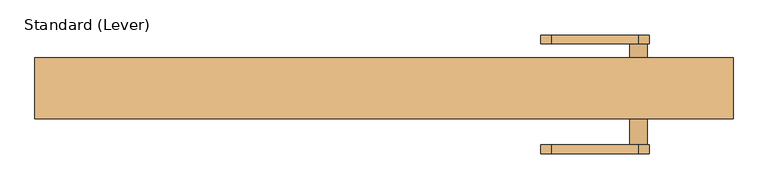
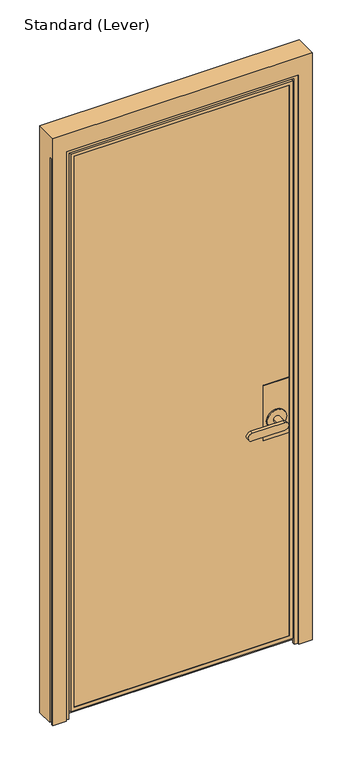
"""IFC4 building model written with IfcOpenShell, lengths in millimetres: door geometry, Standard (Lever)."""

from ifc_helpers import new_model, si_unit, frame, origin, place, context, project, spatial, polyline, circle_curve, outline, extrude, faceted_brep, source, transform, mapped, element, save
from ifc_brep_helpers import plane_surface, cylinder_surface, advanced_brep


def standard_lever_ed8d6aae(model_context):
    return source(origin(), model_context, "Body", "SolidModel", [
        faceted_brep([(422.2749977, 9.525, 1117.6), (320.6749977, 9.525, 1117.6), (320.6749977, -26.9875, 1117.6), (422.2749977, -26.9875, 1117.6), (422.2749977, 9.525, 889.0), (422.2749977, -26.9875, 889.0), (320.6749977, -26.9875, 889.0), (320.6749977, 9.525, 889.0)], [[[0, 1, 2, 3]], [[4, 5, 6, 7]], [[3, 5, 4, 0]], [[2, 6, 5, 3]], [[1, 7, 6, 2]], [[0, 4, 7, 1]]]),
        advanced_brep(
        [(422.2749977, -36.5125, 1117.6), (320.6749977, -36.5125, 1117.6), (320.6749977, -38.1, 1117.6), (422.2749977, -38.1, 1117.6), (422.2749977, -36.5125, 889.0), (422.2749977, -38.1, 889.0), (320.6749977, -38.1, 889.0), (320.6749977, -36.5125, 889.0), (333.3749977, -38.1, 965.2), (409.5749977, -38.1, 965.2), (409.5749977, -42.8625, 965.2), (333.3749977, -42.8625, 965.2), (358.7749977, -42.8625, 965.2), (384.1749977, -42.8625, 965.2), (384.1749977, -82.55, 965.2), (358.7749977, -82.55, 965.2), (244.4749977, -95.25, 949.325), (371.4749977, -95.25, 949.325), (371.4749977, -95.25, 981.075), (244.4749977, -95.25, 981.075), (244.4749977, -82.55, 949.325), (244.4749977, -82.55, 981.075), (371.4749977, -82.55, 981.075), (371.4749977, -82.55, 949.325)],
        [
            (0, 1),
            (1, 2),
            (2, 3),
            (3, 0),
            (4, 5),
            (5, 6),
            (6, 7),
            (7, 4),
            (3, 5),
            (4, 0),
            (2, 6),
            (8, 9, circle_curve(frame((371.4749977, -38.1, 965.2), z_axis=(0.0, 1.0, 0.0), x_axis=(-1.0, 0.0, 0.0)), 38.1)),
            (9, 8, circle_curve(frame((371.4749977, -38.1, 965.2), z_axis=(0.0, 1.0, 0.0), x_axis=(-1.0, 0.0, 0.0)), 38.1)),
            (1, 7),
            (10, 11, circle_curve(frame((371.4749977, -42.8625, 965.2), z_axis=(0.0, -1.0, 0.0), x_axis=(-1.0, 0.0, 0.0)), 38.1)),
            (11, 10, circle_curve(frame((371.4749977, -42.8625, 965.2), z_axis=(0.0, -1.0, 0.0), x_axis=(-1.0, 0.0, 0.0)), 38.1)),
            (12, 13, circle_curve(frame((371.4749977, -42.8625, 965.2), z_axis=(0.0, 1.0, 0.0), x_axis=(-1.0, 0.0, 0.0)), 12.7)),
            (13, 12, circle_curve(frame((371.4749977, -42.8625, 965.2), z_axis=(0.0, 1.0, 0.0), x_axis=(-1.0, 0.0, 0.0)), 12.7)),
            (11, 8),
            (9, 10),
            (14, 15, circle_curve(frame((371.4749977, -82.55, 965.2), z_axis=(0.0, 1.0, 0.0), x_axis=(-1.0, 0.0, 0.0)), 12.7)),
            (15, 12),
            (13, 14),
            (15, 14, circle_curve(frame((371.4749977, -82.55, 965.2), z_axis=(0.0, 1.0, 0.0), x_axis=(-1.0, 0.0, 0.0)), 12.7)),
            (16, 17),
            (17, 18, circle_curve(frame((371.4749977, -95.25, 965.2), z_axis=(0.0, -1.0, 0.0), x_axis=(-1.0, 0.0, 0.0)), 15.875)),
            (18, 19),
            (19, 16, circle_curve(frame((244.4749977, -95.25, 965.2), z_axis=(0.0, -1.0, 0.0), x_axis=(-1.0, 0.0, 0.0)), 15.875)),
            (20, 21, circle_curve(frame((244.4749977, -82.55, 965.2), z_axis=(0.0, 1.0, 0.0), x_axis=(-1.0, 0.0, 0.0)), 15.875)),
            (21, 22),
            (22, 23, circle_curve(frame((371.4749977, -82.55, 965.2), z_axis=(0.0, 1.0, 0.0), x_axis=(-1.0, 0.0, 0.0)), 15.875)),
            (23, 20),
            (19, 21),
            (20, 16),
            (18, 22),
            (17, 23),
        ],
        [
            plane_surface(frame((422.2749977, 20.6375, 1117.6), z_axis=(0.0, 0.0, 1.0), x_axis=(0.0, -1.0, 0.0))),
            plane_surface(frame((422.2749977, 20.6375, 889.0), z_axis=(0.0, 0.0, -1.0), x_axis=(0.0, 1.0, 0.0))),
            plane_surface(frame((422.2749977, -36.5125, 1117.6), z_axis=(1.0, 0.0, 0.0), x_axis=(0.0, 0.0, -1.0))),
            plane_surface(frame((422.2749977, -38.1, 1117.6), z_axis=(0.0, -1.0, 0.0), x_axis=(0.0, 0.0, -1.0))),
            plane_surface(frame((320.6749977, -38.1, 1117.6), z_axis=(-1.0, 0.0, 0.0), x_axis=(0.0, 0.0, -1.0))),
            plane_surface(frame((320.6749977, -36.5125, 1117.6), z_axis=(0.0, 1.0, 0.0), x_axis=(0.0, 0.0, -1.0))),
            plane_surface(frame((333.3749977, -42.8625, 965.2), z_axis=(0.0, -1.0, 0.0), x_axis=(0.0, 0.0, 1.0))),
            cylinder_surface(frame((371.4749977, -38.1, 965.2), z_axis=(0.0, -1.0, 0.0), x_axis=(-1.0, 0.0, 0.0)), 38.1),
            cylinder_surface(frame((371.4749977, -38.1, 965.2), z_axis=(0.0, -1.0, 0.0), x_axis=(-1.0, 0.0, 0.0)), 12.7),
            plane_surface(frame((228.5999977, -95.25, 965.2), z_axis=(0.0, -1.0, 0.0), x_axis=(0.0, 0.0, 1.0))),
            plane_surface(frame((228.5999977, -82.55, 965.2), z_axis=(0.0, 1.0, 0.0), x_axis=(0.0, 0.0, -1.0))),
            cylinder_surface(frame((244.4749977, -82.55, 965.2), z_axis=(0.0, -1.0, 0.0), x_axis=(-1.0, 0.0, 0.0)), 15.875),
            plane_surface(frame((244.4749977, -95.25, 981.075), z_axis=(0.0, 0.0, 1.0), x_axis=(0.0, 1.0, 0.0))),
            cylinder_surface(frame((371.4749977, -82.55, 965.2), z_axis=(0.0, -1.0, 0.0), x_axis=(-1.0, 0.0, 0.0)), 15.875),
            plane_surface(frame((371.4749977, -95.25, 949.325), z_axis=(0.0, 0.0, -1.0), x_axis=(0.0, 1.0, 0.0))),
        ],
        [
            (0, [[1, 2, 3, 4]]),
            (1, [[5, 6, 7, 8]]),
            (2, [[9, -5, 10, -4]]),
            (3, [[11, -6, -9, -3], [12, 13]]),
            (4, [[14, -7, -11, -2]]),
            (5, [[-10, -8, -14, -1]]),
            (6, [[15, 16], [17, 18]]),
            (7, [[19, -13, 20, -16]]),
            (7, [[-20, -12, -19, -15]]),
            (8, [[21, 22, -18, 23]]),
            (8, [[-17, -22, 24, -23]]),
            (9, [[25, 26, 27, 28]]),
            (10, [[29, 30, 31, 32], [-24, -21]]),
            (11, [[33, -29, 34, -28]]),
            (12, [[35, -30, -33, -27]]),
            (13, [[36, -31, -35, -26]]),
            (14, [[-34, -32, -36, -25]]),
        ],
    ),
        advanced_brep(
        [(422.2749977, 20.6375, 1117.6), (320.7371757, 20.6375, 1117.6), (320.7371757, 19.05, 1117.6), (422.2749977, 19.05, 1117.6), (422.2749977, 20.6375, 889.0), (422.2749977, 19.05, 889.0), (320.7371757, 19.05, 889.0), (320.7371757, 20.6375, 889.0), (384.1749977, 25.4, 965.2), (358.7749977, 25.4, 965.2), (358.7749977, 65.0875, 965.2), (384.1749977, 65.0875, 965.2), (409.5749977, 25.4, 965.2), (333.3749977, 25.4, 965.2), (409.5749977, 20.6375, 965.2), (333.3749977, 20.6375, 965.2), (371.4749977, 65.0875, 949.325), (371.4749977, 65.0875, 981.075), (244.4749977, 65.0875, 981.075), (244.4749977, 65.0875, 949.325), (371.4749977, 77.7875, 949.325), (244.4749977, 77.7875, 949.325), (244.4749977, 77.7875, 981.075), (371.4749977, 77.7875, 981.075)],
        [
            (0, 1),
            (1, 2),
            (2, 3),
            (3, 0),
            (4, 5),
            (5, 6),
            (6, 7),
            (7, 4),
            (8, 9, circle_curve(frame((371.4749977, 25.4, 965.2), z_axis=(0.0, 1.0, 0.0), x_axis=(-1.0, 0.0, 0.0)), 12.7)),
            (9, 10),
            (10, 11, circle_curve(frame((371.4749977, 65.0875, 965.2), z_axis=(0.0, -1.0, 0.0), x_axis=(-1.0, 0.0, 0.0)), 12.7)),
            (11, 8),
            (11, 10, circle_curve(frame((371.4749977, 65.0875, 965.2), z_axis=(0.0, -1.0, 0.0), x_axis=(-1.0, 0.0, 0.0)), 12.7)),
            (9, 8, circle_curve(frame((371.4749977, 25.4, 965.2), z_axis=(0.0, 1.0, 0.0), x_axis=(-1.0, 0.0, 0.0)), 12.7)),
            (12, 13, circle_curve(frame((371.4749977, 25.4, 965.2), z_axis=(0.0, 1.0, 0.0), x_axis=(-1.0, 0.0, 0.0)), 38.1)),
            (13, 12, circle_curve(frame((371.4749977, 25.4, 965.2), z_axis=(0.0, 1.0, 0.0), x_axis=(-1.0, 0.0, 0.0)), 38.1)),
            (12, 14),
            (14, 15, circle_curve(frame((371.4749977, 20.6375, 965.2), z_axis=(0.0, 1.0, 0.0), x_axis=(-1.0, 0.0, 0.0)), 38.1)),
            (15, 13),
            (15, 14, circle_curve(frame((371.4749977, 20.6375, 965.2), z_axis=(0.0, 1.0, 0.0), x_axis=(-1.0, 0.0, 0.0)), 38.1)),
            (16, 17, circle_curve(frame((371.4749977, 65.0875, 965.2), z_axis=(0.0, -1.0, 0.0), x_axis=(-1.0, 0.0, 0.0)), 15.875)),
            (17, 18),
            (18, 19, circle_curve(frame((244.4749977, 65.0875, 965.2), z_axis=(0.0, -1.0, 0.0), x_axis=(-1.0, 0.0, 0.0)), 15.875)),
            (19, 16),
            (20, 21),
            (21, 22, circle_curve(frame((244.4749977, 77.7875, 965.2), z_axis=(0.0, 1.0, 0.0), x_axis=(-1.0, 0.0, 0.0)), 15.875)),
            (22, 23),
            (23, 20, circle_curve(frame((371.4749977, 77.7875, 965.2), z_axis=(0.0, 1.0, 0.0), x_axis=(-1.0, 0.0, 0.0)), 15.875)),
            (19, 21),
            (20, 16),
            (18, 22),
            (17, 23),
            (3, 5),
            (4, 0),
            (2, 6),
            (1, 7),
        ],
        [
            plane_surface(frame((422.2749977, 20.6375, 1117.6), z_axis=(0.0, 0.0, 1.0), x_axis=(0.0, -1.0, 0.0))),
            plane_surface(frame((422.2749977, 20.6375, 889.0), z_axis=(0.0, 0.0, -1.0), x_axis=(0.0, 1.0, 0.0))),
            cylinder_surface(frame((371.4749977, 65.0875, 965.2), z_axis=(0.0, -1.0, 0.0), x_axis=(-1.0, 0.0, 0.0)), 12.7),
            plane_surface(frame((333.3749977, 25.4, 965.2), z_axis=(0.0, 1.0, 0.0), x_axis=(0.0, 0.0, -1.0))),
            cylinder_surface(frame((371.4749977, 25.4, 965.2), z_axis=(0.0, -1.0, 0.0), x_axis=(-1.0, 0.0, 0.0)), 38.1),
            plane_surface(frame((371.4749977, 65.0875, 949.325), z_axis=(0.0, -1.0, 0.0), x_axis=(-1.0, 0.0, 0.0))),
            plane_surface(frame((371.4749977, 77.7875, 949.325), z_axis=(0.0, 1.0, 0.0), x_axis=(1.0, 0.0, 0.0))),
            plane_surface(frame((371.4749977, 65.0875, 949.325), z_axis=(0.0, 0.0, -1.0), x_axis=(0.0, 1.0, 0.0))),
            cylinder_surface(frame((244.4749977, 77.7875, 965.2), z_axis=(0.0, -1.0, 0.0), x_axis=(-1.0, 0.0, 0.0)), 15.875),
            plane_surface(frame((244.4749977, 65.0875, 981.075), z_axis=(0.0, 0.0, 1.0), x_axis=(0.0, 1.0, 0.0))),
            cylinder_surface(frame((371.4749977, 77.7875, 965.2), z_axis=(0.0, -1.0, 0.0), x_axis=(-1.0, 0.0, 0.0)), 15.875),
            plane_surface(frame((422.2749977, 20.6375, 1117.6), z_axis=(1.0, 0.0, 0.0), x_axis=(0.0, 0.0, -1.0))),
            plane_surface(frame((422.2749977, 19.05, 1117.6), z_axis=(0.0, -1.0, 0.0), x_axis=(0.0, 0.0, -1.0))),
            plane_surface(frame((320.7371757, 19.05, 1117.6), z_axis=(-1.0, 0.0, 0.0), x_axis=(0.0, 0.0, -1.0))),
            plane_surface(frame((320.7371757, 20.6375, 1117.6), z_axis=(0.0, 1.0, 0.0), x_axis=(0.0, 0.0, -1.0))),
        ],
        [
            (0, [[1, 2, 3, 4]]),
            (1, [[5, 6, 7, 8]]),
            (2, [[9, 10, 11, 12]]),
            (2, [[13, -10, 14, -12]]),
            (3, [[15, 16], [-14, -9]]),
            (4, [[17, 18, 19, -15]]),
            (4, [[-19, 20, -17, -16]]),
            (5, [[21, 22, 23, 24], [-13, -11]]),
            (6, [[25, 26, 27, 28]]),
            (7, [[29, -25, 30, -24]]),
            (8, [[31, -26, -29, -23]]),
            (9, [[32, -27, -31, -22]]),
            (10, [[-30, -28, -32, -21]]),
            (11, [[33, -5, 34, -4]]),
            (12, [[35, -6, -33, -3]]),
            (13, [[36, -7, -35, -2]]),
            (14, [[-34, -8, -36, -1], [-20, -18]]),
        ],
    ),
        extrude(outline(polyline([(434.9749977, -36.5125), (-434.9749977, -36.5125), (-434.9749977, -26.9875), (434.9749977, -26.9875), (434.9749977, -36.5125)])), frame((0.0, 0.0, 30.1625), z_axis=(0.0, 0.0, 1.0), x_axis=(1.0, 0.0, 0.0)), (0.0, 0.0, 1.0), 2312.9875),
        extrude(outline(polyline([(-434.9749977, 9.525), (-434.9749977, 19.05), (434.9749977, 19.05), (434.9749977, 9.525), (-434.9749977, 9.525)])), frame((0.0, 0.0, 30.1625), z_axis=(0.0, 0.0, 1.0), x_axis=(1.0, 0.0, 0.0)), (0.0, 0.0, 1.0), 2312.9875),
        faceted_brep([(-434.9749977, -36.5125, 2343.15), (-434.9749977, -36.5125, 30.1625), (-434.9749977, -26.9875, 30.1625), (-434.9749977, -26.9875, 2343.15), (434.9749977, -26.9875, 30.1625), (434.9749977, -26.9875, 2343.15), (-422.2749977, -26.9875, 42.8625), (-422.2749977, -26.9875, 2330.45), (422.2749977, -26.9875, 2330.45), (422.2749977, -26.9875, 42.8625), (434.9749977, -36.5125, 30.1625), (434.9749977, -36.5125, 2343.15), (-422.2749977, -36.5125, 2330.45), (-422.2749977, -36.5125, 42.8625), (422.2749977, -36.5125, 42.8625), (422.2749977, -36.5125, 2330.45), (-422.2749977, -38.1, 2330.45), (-422.2749977, -38.1, 42.8625), (422.2749977, -38.1, 42.8625), (-436.5624977, -38.1, 2344.7375), (-436.5624977, -38.1, 28.575), (436.5624977, -38.1, 28.575), (436.5624977, -38.1, 2344.7375), (422.2749977, -38.1, 2330.45), (-436.5624977, -23.8125, 2344.7375), (-436.5624977, -23.8125, 28.575), (436.5624977, -23.8125, 28.575), (-452.4374977, -23.8125, 2360.6125), (-452.4374977, -23.8125, 12.7), (452.4374977, -23.8125, 12.7), (452.4374977, -23.8125, 2360.6125), (436.5624977, -23.8125, 2344.7375), (-452.4374977, 20.6375, 2360.6125), (-452.4374977, 20.6375, 12.7), (452.4374977, 20.6375, 12.7), (452.4374977, 20.6375, 2360.6125), (-422.2749977, 20.6375, 2330.45), (-422.2749977, 20.6375, 42.8625), (422.2749977, 20.6375, 42.8625), (422.2749977, 20.6375, 2330.45), (-422.2749977, 9.525, 42.8625), (-422.2749977, 9.525, 2330.45), (-434.9749977, 9.525, 2343.15), (434.9749977, 9.525, 2343.15), (434.9749977, 9.525, 30.1625), (-434.9749977, 9.525, 30.1625), (422.2749977, 9.525, 2330.45), (422.2749977, 9.525, 42.8625), (422.2749977, 19.05, 42.8625), (422.2749977, 19.05, 2330.45), (-422.2749977, 19.05, 42.8625), (-422.2749977, 19.05, 2330.45), (434.9749977, 19.05, 2343.15), (-434.9749977, 19.05, 2343.15), (-434.9749977, 19.05, 30.1625), (434.9749977, 19.05, 30.1625)], [[[0, 1, 2, 3]], [[3, 2, 4, 5], [6, 7, 8, 9]], [[1, 10, 4, 2]], [[1, 0, 11, 10], [12, 13, 14, 15]], [[16, 17, 13, 12]], [[17, 18, 14, 13]], [[19, 20, 21, 22], [17, 16, 23, 18]], [[24, 25, 20, 19]], [[25, 26, 21, 20]], [[27, 28, 29, 30], [25, 24, 31, 26]], [[32, 33, 28, 27]], [[33, 34, 29, 28]], [[33, 32, 35, 34], [36, 37, 38, 39]], [[10, 11, 5, 4]], [[18, 23, 15, 14]], [[26, 31, 22, 21]], [[34, 35, 30, 29]], [[7, 6, 40, 41]], [[42, 43, 44, 45], [46, 41, 40, 47]], [[6, 9, 47, 40]], [[9, 8, 46, 47]], [[48, 49, 39, 38]], [[50, 48, 38, 37]], [[51, 50, 37, 36]], [[52, 53, 54, 55], [51, 49, 48, 50]], [[42, 45, 54, 53]], [[45, 44, 55, 54]], [[44, 43, 52, 55]], [[11, 0, 3, 5]], [[23, 16, 12, 15]], [[31, 24, 19, 22]], [[35, 32, 27, 30]], [[8, 7, 41, 46]], [[49, 51, 36, 39]], [[43, 42, 53, 52]]]),
        faceted_brep([(509.5875, -26.9875, 2365.375), (509.5875, -21.749999, 2365.375), (509.5875, -21.749999, 0.0), (509.5875, 44.45, 0.0), (509.5875, 44.45, 2438.4), (509.5875, -44.45, 2438.4), (509.5875, -44.45, 0.0), (509.5875, -38.1499897, 0.0), (509.5875, -38.1, 2351.0875), (509.5875, -26.9875, 2351.0875), (503.1132531, -38.1499897, 0.0), (503.1632427, -38.1499897, 2351.0875), (457.1999977, 44.45, 0.0), (503.1132562, -21.749999, 0.0), (502.1132405, -20.7499834, 0.0), (503.6875134, -20.7499834, 0.0), (503.6875134, -18.949936, 0.0), (498.6875186, -18.949936, 0.0), (498.6875186, -20.7499834, 0.0), (500.261756, -20.7499834, 0.0), (499.2617434, -21.7499959, 0.0), (477.8375, -21.7499959, 0.0), (477.8375, -38.1499966, 0.0), (499.2617503, -38.1499966, 0.0), (500.261756, -39.1500023, 0.0), (498.6874831, -39.1500023, 0.0), (498.6874831, -40.9498819, 0.0), (503.6874778, -40.9498819, 0.0), (503.6874778, -39.1500023, 0.0), (502.1132405, -39.1500023, 0.0), (457.1999977, -44.45, 0.0), (457.1999977, -38.1, 0.0), (442.9124977, -38.1, 0.0), (442.9124977, -26.9875, 0.0), (457.1999977, -26.9875, 0.0), (503.1132562, -21.749999, 2365.375), (-503.1132562, -21.749999, 0.0), (-503.1132562, -21.749999, 2365.375), (-509.5875, -21.749999, 2365.375), (-509.5875, -21.749999, 0.0), (-509.5875, -44.45, 0.0), (-509.5875, -44.45, 2438.4), (-509.5875, 44.45, 2438.4), (-509.5875, 44.45, 0.0), (-509.5875, -26.9875, 2365.375), (-509.5875, -26.9875, 2351.0875), (-509.5875, -38.1, 2351.0875), (-509.5875, -38.1499897, 0.0), (-457.1999977, 44.45, 0.0), (-457.1999977, -26.9875, 0.0), (-442.9124977, -26.9875, 0.0), (-442.9124977, -38.1, 0.0), (-457.1999977, -38.1, 0.0), (-457.1999977, -44.45, 0.0), (-503.1132531, -38.1499897, 0.0), (-502.1132405, -39.1500023, 0.0), (-503.6874778, -39.1500023, 0.0), (-503.6874778, -40.9498819, 0.0), (-498.6874831, -40.9498819, 0.0), (-498.6874831, -39.1500023, 0.0), (-500.261756, -39.1500023, 0.0), (-499.2617503, -38.1499966, 0.0), (-477.8375, -38.1499966, 0.0), (-477.8375, -21.7499959, 0.0), (-499.2617434, -21.7499959, 0.0), (-500.261756, -20.7499834, 0.0), (-498.6875186, -20.7499834, 0.0), (-498.6875186, -18.949936, 0.0), (-503.6875134, -18.949936, 0.0), (-503.6875134, -20.7499834, 0.0), (-502.1132405, -20.7499834, 0.0), (-503.1632427, -38.1499897, 2351.0875), (457.1999977, 44.45, 2365.375), (-457.1999977, 44.45, 2365.375), (-457.1999977, -26.9875, 2365.375), (457.1999977, -26.9875, 2365.375), (-457.1999977, -44.45, 2365.375), (457.1999977, -44.45, 2365.375), (457.1999977, -38.1, 2365.375), (-457.1999977, -38.1, 2365.375), (442.9124977, -26.9875, 2351.0875), (-442.9124977, -26.9875, 2351.0875), (477.8375, -26.9875, 2351.0875), (477.8375, -26.9875, 2365.375), (-477.8375, -26.9875, 2365.375), (-477.8375, -26.9875, 2351.0875), (-442.9124977, -38.1, 2351.0875), (442.9124977, -38.1, 2351.0875), (503.1632427, -38.1, 2365.375), (499.2117537, -38.1, 2365.375), (499.2117537, -38.1, 2351.0875), (-499.2117537, -38.1, 2351.0875), (-499.2117537, -38.1, 2365.375), (-503.1632427, -38.1, 2365.375), (502.1132405, -39.1500023, 2365.375), (503.6874778, -39.1500023, 2365.375), (503.6874778, -40.9498819, 2365.375), (498.6874831, -40.9498819, 2365.375), (498.6874831, -39.1500023, 2365.375), (500.261756, -39.1500023, 2365.375), (477.8375, -38.1499966, 2351.0875), (477.8375, -21.7499959, 2365.375), (499.2617434, -21.7499959, 2365.375), (500.261756, -20.7499834, 2365.375), (498.6875186, -20.7499834, 2365.375), (498.6875186, -18.949936, 2365.375), (503.6875134, -18.949936, 2365.375), (503.6875134, -20.7499834, 2365.375), (502.1132405, -20.7499834, 2365.375), (-502.1132405, -20.7499834, 2365.375), (-503.6875134, -20.7499834, 2365.375), (-503.6875134, -18.949936, 2365.375), (-498.6875186, -18.949936, 2365.375), (-498.6875186, -20.7499834, 2365.375), (-500.261756, -20.7499834, 2365.375), (-499.2617434, -21.7499959, 2365.375), (-477.8375, -21.7499959, 2365.375), (-477.8375, -38.1, 2351.0875), (-500.261756, -39.1500023, 2365.375), (-498.6874831, -39.1500023, 2365.375), (-498.6874831, -40.9498819, 2365.375), (-503.6874778, -40.9498819, 2365.375), (-503.6874778, -39.1500023, 2365.375), (-502.1132405, -39.1500023, 2365.375)], [[[0, 1, 2, 3, 4, 5, 6, 7, 8, 9]], [[10, 11, 8, 7]], [[12, 3, 2, 13, 14, 15, 16, 17, 18, 19, 20, 21, 22, 23, 24, 25, 26, 27, 28, 29, 10, 7, 6, 30, 31, 32, 33, 34]], [[2, 1, 35, 13]], [[36, 37, 38, 39]], [[40, 41, 42, 43, 39, 38, 44, 45, 46, 47]], [[48, 49, 50, 51, 52, 53, 40, 47, 54, 55, 56, 57, 58, 59, 60, 61, 62, 63, 64, 65, 66, 67, 68, 69, 70, 36, 39, 43]], [[47, 46, 71, 54]], [[42, 4, 3, 12, 72, 73, 48, 43]], [[48, 73, 74, 49]], [[34, 75, 72, 12]], [[40, 53, 76, 77, 30, 6, 5, 41]], [[30, 77, 78, 31]], [[79, 76, 53, 52]], [[33, 80, 81, 50, 49, 74, 75, 34]], [[9, 82, 83, 0]], [[44, 84, 85, 45]], [[50, 81, 86, 51]], [[32, 87, 80, 33]], [[31, 78, 79, 52, 51, 86, 87, 32]], [[11, 88, 89, 90]], [[91, 92, 93, 71]], [[29, 94, 88, 11, 10]], [[28, 95, 94, 29]], [[27, 96, 95, 28]], [[26, 97, 96, 27]], [[25, 98, 97, 26]], [[24, 99, 98, 25]], [[23, 90, 89, 99, 24]], [[22, 100, 90, 23]], [[21, 101, 83, 82, 100, 22]], [[20, 102, 101, 21]], [[19, 103, 102, 20]], [[18, 104, 103, 19]], [[17, 105, 104, 18]], [[16, 106, 105, 17]], [[15, 107, 106, 16]], [[14, 108, 107, 15]], [[13, 35, 108, 14]], [[70, 109, 37, 36]], [[69, 110, 109, 70]], [[68, 111, 110, 69]], [[67, 112, 111, 68]], [[66, 113, 112, 67]], [[65, 114, 113, 66]], [[64, 115, 114, 65]], [[63, 116, 115, 64]], [[62, 117, 85, 84, 116, 63]], [[61, 91, 117, 62]], [[60, 118, 92, 91, 61]], [[59, 119, 118, 60]], [[58, 120, 119, 59]], [[57, 121, 120, 58]], [[56, 122, 121, 57]], [[55, 123, 122, 56]], [[54, 71, 93, 123, 55]], [[45, 85, 117, 91, 71, 46]], [[8, 11, 90, 100, 82, 9]], [[87, 86, 81, 80]], [[42, 41, 5, 4]], [[0, 83, 101, 102, 103, 104, 105, 106, 107, 108, 35, 1]], [[38, 37, 109, 110, 111, 112, 113, 114, 115, 116, 84, 44]], [[74, 73, 72, 75]], [[88, 94, 95, 96, 97, 98, 99, 89]], [[92, 118, 119, 120, 121, 122, 123, 93]], [[77, 76, 79, 78]]]),
    ])


if __name__ == "__main__":
    model = new_model("IFC4")
    model_context = context("Model", 3, world=origin())
    ifc_project = project(units=[si_unit("LENGTHUNIT", "METRE", prefix="MILLI")], contexts=[model_context])
    site = spatial("IfcSite", under=ifc_project)
    building = spatial("IfcBuilding", under=site)
    placement = place(None, origin())
    standard_lever_shape = standard_lever_ed8d6aae(model_context)
    element("IfcDoor", 1, ObjectType="Standard (Lever)", at=placement, inside=building, context=model_context, shape_type="MappedRepresentation", body=[
        mapped(standard_lever_shape, transform((0.0, 0.0, 0.0), x_axis=(1.0, 0.0, 0.0), y_axis=(0.0, 1.0, 0.0), z_axis=(0.0, 0.0, 1.0))),
    ])
    save(model, "model.ifc")
